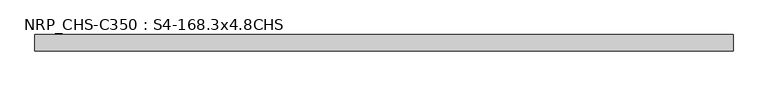
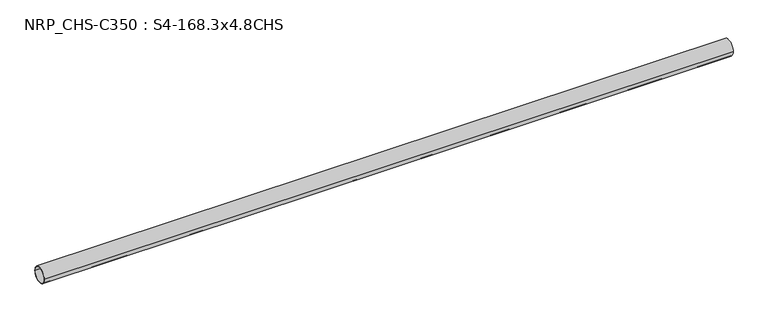
"""IFC4 building model written with IfcOpenShell, lengths in millimetres: beam geometry, NRP_CHS-C350 : S4-168.3x4.8CHS."""

from ifc_helpers import new_model, si_unit, point, frame, origin, origin_2d, place, context, project, spatial, circle_curve, trimmed, segment, composite_curve, outline, extrude, source, transform, mapped, element, save


def nrp_chs_c350_s4_168_3x4_8chs_2da43134(model_context):
    return source(origin(), model_context, "Body", "SweptSolid", [
        extrude(outline(composite_curve([segment(trimmed(circle_curve(origin_2d(), 84.15), [point((-84.15, 0.0))], [point((84.15, 0.0))], False, "CARTESIAN"), True, "CONTINUOUS"), segment(trimmed(circle_curve(origin_2d(), 84.15), [point((84.15, 0.0))], [point((-84.15, 0.0))], False, "CARTESIAN"), True, "CONTINUOUS")], self_intersect=False), holes=[composite_curve([segment(trimmed(circle_curve(origin_2d(), 79.35), [point((79.35, 0.0))], [point((-79.35, 0.0))], True, "CARTESIAN"), True, "CONTINUOUS"), segment(trimmed(circle_curve(origin_2d(), 79.35), [point((-79.35, 0.0))], [point((79.35, 0.0))], True, "CARTESIAN"), True, "CONTINUOUS")], self_intersect=False)]), frame((-3604.05, 0.0, 0.0), z_axis=(1.0, 0.0, 0.0), x_axis=(0.0, 1.0, 0.0)), (0.0, 0.0, 1.0), 7198.6),
    ])


if __name__ == "__main__":
    model = new_model("IFC4")
    model_context = context("Model", 3, world=origin())
    ifc_project = project(units=[si_unit("LENGTHUNIT", "METRE", prefix="MILLI")], contexts=[model_context])
    site = spatial("IfcSite", under=ifc_project)
    building = spatial("IfcBuilding", under=site)
    placement = place(None, origin())
    nrp_chs_c350_s4_168_3x4_8chs_shape = nrp_chs_c350_s4_168_3x4_8chs_2da43134(model_context)
    element("IfcBeam", 1, ObjectType="NRP_CHS-C350 : S4-168.3x4.8CHS", at=placement, inside=building, context=model_context, shape_type="MappedRepresentation", body=[
        mapped(nrp_chs_c350_s4_168_3x4_8chs_shape, transform((0.0, 0.0, 0.0), x_axis=(1.0, 0.0, 0.0), y_axis=(0.0, 1.0, 0.0), z_axis=(0.0, 0.0, 1.0))),
    ])
    save(model, "model.ifc")
